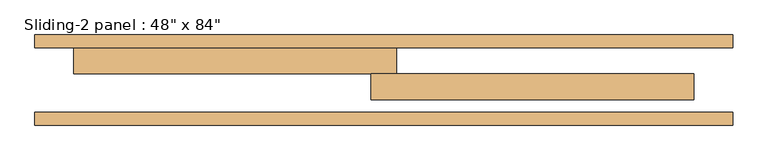
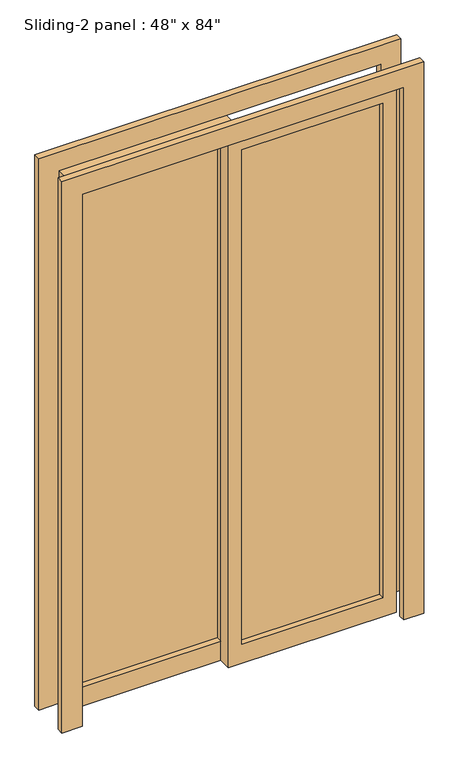
"""IFC4 building model written with IfcOpenShell, lengths in millimetres: door geometry."""

from ifc_helpers import new_model, si_unit, frame, origin, place, context, project, spatial, polyline, outline, extrude, source, transform, mapped, element, save


def door_82cf56ad(model_context):
    return source(origin(), model_context, "Body", "SweptSolid", [
        extrude(outline(polyline([(25.4, 117.475), (558.8, 117.475), (558.8, 111.125), (25.4, 111.125), (25.4, 117.475)])), frame((0.0, 0.0, 76.2), z_axis=(0.0, 0.0, 1.0), x_axis=(1.0, 0.0, 0.0)), (0.0, 0.0, 1.0), 1981.2),
        extrude(outline(polyline([(2133.6, -25.4), (0.0, -25.4), (0.0, 609.6), (2133.6, 609.6), (2133.6, -25.4)]), holes=[polyline([(2057.4, 25.4), (2057.4, 558.8), (76.2, 558.8), (76.2, 25.4), (2057.4, 25.4)])]), frame((0.0, 88.9, 0.0), z_axis=(0.0, 1.0, 0.0), x_axis=(0.0, 0.0, 1.0)), (0.0, 0.0, 1.0), 50.8),
        extrude(outline(polyline([(-558.8, 168.275), (-25.4, 168.275), (-25.4, 161.925), (-558.8, 161.925), (-558.8, 168.275)])), frame((0.0, 0.0, 76.2), z_axis=(0.0, 0.0, 1.0), x_axis=(1.0, 0.0, 0.0)), (0.0, 0.0, 1.0), 1981.2),
        extrude(outline(polyline([(2133.6, 25.4), (2133.6, -609.6), (0.0, -609.6), (0.0, 25.4), (2133.6, 25.4)]), holes=[polyline([(2057.4, -25.4), (76.2, -25.4), (76.2, -558.8), (2057.4, -558.8), (2057.4, -25.4)])]), frame((0.0, 139.7, 0.0), z_axis=(0.0, 1.0, 0.0), x_axis=(0.0, 0.0, 1.0)), (0.0, 0.0, 1.0), 50.8),
        extrude(outline(polyline([(0.0, -685.8), (0.0, -609.6), (2133.6, -609.6), (2133.6, 609.6), (0.0, 609.6), (0.0, 685.8), (2209.8, 685.8), (2209.8, -685.8), (0.0, -685.8)])), frame((0.0, 38.1, 0.0), z_axis=(0.0, 1.0, 0.0), x_axis=(0.0, 0.0, 1.0)), (0.0, 0.0, 1.0), 25.4),
        extrude(outline(polyline([(0.0, 685.8), (2209.8, 685.8), (2209.8, -685.8), (0.0, -685.8), (0.0, -609.6), (2133.6, -609.6), (2133.6, 609.6), (0.0, 609.6), (0.0, 685.8)])), frame((0.0, 190.5, 0.0), z_axis=(0.0, 1.0, 0.0), x_axis=(0.0, 0.0, 1.0)), (0.0, 0.0, 1.0), 25.4),
    ])


if __name__ == "__main__":
    model = new_model("IFC4")
    model_context = context("Model", 3, world=origin())
    ifc_project = project(units=[si_unit("LENGTHUNIT", "METRE", prefix="MILLI")], contexts=[model_context])
    site = spatial("IfcSite", under=ifc_project)
    building = spatial("IfcBuilding", under=site)
    placement = place(None, origin())
    door_shape = door_82cf56ad(model_context)
    element("IfcDoor", 1, ObjectType="Sliding-2 panel : 48\" x 84\"", at=placement, inside=building, context=model_context, shape_type="MappedRepresentation", body=[
        mapped(door_shape, transform((0.0, 0.0, 0.0), x_axis=(1.0, 0.0, 0.0), y_axis=(0.0, 1.0, 0.0), z_axis=(0.0, 0.0, 1.0))),
    ])
    save(model, "model.ifc")
